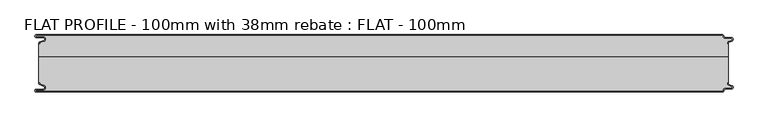
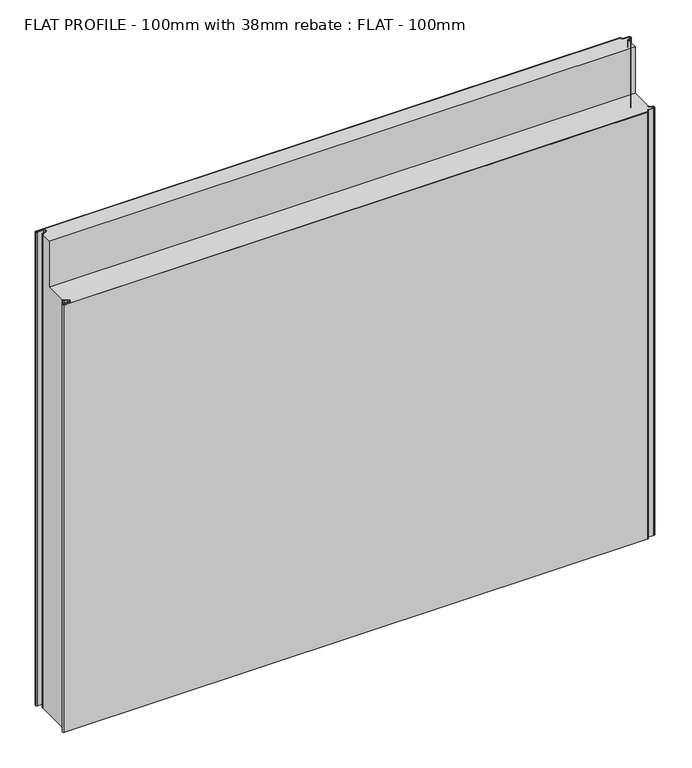
"""IFC4 building model written with IfcOpenShell, lengths in millimetres: proxy geometry, FLAT PROFILE - 100mm with 38mm rebate : FLAT - 100mm."""

from ifc_helpers import new_model, si_unit, point, frame, frame_2d, origin, origin_with_axes, place, context, project, spatial, polyline, circle_curve, trimmed, segment, composite_curve, outline, extrude, source, transform, mapped, element, save
from ifc_brep_helpers import plane_surface, cylinder_surface, revolved_surface, advanced_brep


def flat_profile_100mm_with_38mm_rebate_flat_100mm_aecea08b(model_context):
    return source(origin(), model_context, "Body", "SolidModel", [
        extrude(outline(composite_curve([segment(trimmed(circle_curve(frame_2d((-591.0050311, 35.1831944)), 1.0022625), [point((-591.3794419, 36.1128969))], [point((-591.9881924, 35.3779357))], True, "CARTESIAN"), True, "CONTINUOUS"), segment(polyline([(-591.9881924, 35.3779357), (-591.9881924, 34.2522214), (-592.9881924, 34.2522214), (-592.9881924, 35.4591051)]), True, "CONTINUOUS"), segment(trimmed(circle_curve(frame_2d((-591.0050311, 35.1831944)), 2.0022625), [point((-592.9881924, 35.4591051))], [point((-591.7530074, 37.0405007))], False, "CARTESIAN"), True, "CONTINUOUS"), segment(polyline([(-591.7530074, 37.0405007), (-589.7483949, 37.8478003), (-584.2598383, 39.8454715)]), True, "CONTINUOUS"), segment(trimmed(circle_curve(frame_2d((-585.2882153, 42.3376495)), 2.6960175), [point((-584.2598383, 39.8454715))], [point((-584.9801705, 45.0160107))], True, "CARTESIAN"), True, "CONTINUOUS"), segment(polyline([(-584.9801705, 45.0160107), (-597.3387672, 45.0160107)]), True, "CONTINUOUS"), segment(trimmed(circle_curve(frame_2d((-597.4921978, 47.511298)), 2.5), [point((-597.3387672, 45.0160107))], [point((-597.2548091, 50.0000019))], False, "CARTESIAN"), True, "CONTINUOUS"), segment(polyline([(-597.2548091, 50.0000019), (596.9016875, 50.0000019)]), True, "CONTINUOUS"), segment(trimmed(circle_curve(frame_2d((596.9047345, 47.4926459)), 2.5073578), [point((596.9016875, 50.0000019))], [point((599.4117582, 47.4517176))], False, "CARTESIAN"), True, "CONTINUOUS"), segment(trimmed(circle_curve(frame_2d((601.9112919, 47.5000019)), 2.5), [point((599.4117582, 47.4517176))], [point((601.9112919, 45.0000019))], True, "CARTESIAN"), True, "CONTINUOUS"), segment(polyline([(601.9112919, 45.0000019), (612.3116271, 45.0000019)]), True, "CONTINUOUS"), segment(trimmed(circle_curve(frame_2d((612.3116271, 41.9000019)), 3.1), [point((612.3116271, 45.0000019))], [point((613.3890842, 38.9932707))], False, "CARTESIAN"), True, "CONTINUOUS"), segment(polyline([(613.3890842, 38.9932707), (611.1427659, 38.1731578), (608.2411829, 37.0549269)]), True, "CONTINUOUS"), segment(trimmed(circle_curve(frame_2d((609.0514567, 35.1592666)), 2.0615701), [point((608.2411829, 37.0549269))], [point((607.0118076, 35.4591051))], True, "CARTESIAN"), True, "CONTINUOUS"), segment(polyline([(607.0118076, 35.4591051), (607.0118076, 34.2522232), (606.0107004, 34.2522232), (606.0682599, 35.475074)]), True, "CONTINUOUS"), segment(trimmed(circle_curve(frame_2d((608.9399875, 35.2468953)), 2.8807786), [point((606.0682599, 35.475074))], [point((607.8546835, 37.9154156))], False, "CARTESIAN"), True, "CONTINUOUS"), segment(polyline([(607.8546835, 37.9154156), (610.7828028, 39.1063001), (613.0435993, 39.9316988)]), True, "CONTINUOUS"), segment(trimmed(circle_curve(frame_2d((612.3116271, 41.9000019)), 2.1), [point((613.0435993, 39.9316988))], [point((612.3116271, 44.0000019))], True, "CARTESIAN"), True, "CONTINUOUS"), segment(polyline([(612.3116271, 44.0000019), (601.9112919, 44.0000019)]), True, "CONTINUOUS"), segment(trimmed(circle_curve(frame_2d((601.9112919, 47.5000019)), 3.5), [point((601.9112919, 44.0000019))], [point((598.4115951, 47.4539337))], False, "CARTESIAN"), True, "CONTINUOUS"), segment(trimmed(circle_curve(frame_2d((596.9047345, 47.4926459)), 1.5073578), [point((598.4115951, 47.4539337))], [point((596.902372, 49.0000019))], True, "CARTESIAN"), True, "CONTINUOUS"), segment(polyline([(596.902372, 49.0000019), (-597.3084562, 49.0000019)]), True, "CONTINUOUS"), segment(trimmed(circle_curve(frame_2d((-597.4921978, 47.511298)), 1.5), [point((-597.3084562, 49.0000019))], [point((-597.3733883, 46.0160107))], True, "CARTESIAN"), True, "CONTINUOUS"), segment(polyline([(-597.3733883, 46.0160107), (-584.9273771, 46.0160107)]), True, "CONTINUOUS"), segment(trimmed(circle_curve(frame_2d((-585.2882153, 42.3376495)), 3.6960175), [point((-584.9273771, 46.0160107))], [point((-583.8995097, 38.9124426))], False, "CARTESIAN"), True, "CONTINUOUS"), segment(polyline([(-583.8995097, 38.9124426), (-589.3904999, 36.9138856), (-591.3794419, 36.1128969)]), True, "CONTINUOUS")], self_intersect=False)), origin_with_axes(), (0.0, 0.0, 1.0), 1024.9887139),
        extrude(outline(composite_curve([segment(polyline([(-591.3794419, -36.1128932), (-589.3904999, -36.9138819), (-583.8995097, -38.9124389)]), True, "CONTINUOUS"), segment(trimmed(circle_curve(frame_2d((-585.2882153, -42.3376458)), 3.6960175), [point((-583.8995097, -38.9124389))], [point((-584.9273771, -46.016007))], False, "CARTESIAN"), True, "CONTINUOUS"), segment(polyline([(-584.9273771, -46.016007), (-597.3733883, -46.016007)]), True, "CONTINUOUS"), segment(trimmed(circle_curve(frame_2d((-597.4921978, -47.5112943)), 1.5), [point((-597.3733883, -46.016007))], [point((-597.3084562, -48.9999981))], True, "CARTESIAN"), True, "CONTINUOUS"), segment(polyline([(-597.3084562, -48.9999981), (596.902372, -48.9999981)]), True, "CONTINUOUS"), segment(trimmed(circle_curve(frame_2d((596.9047345, -47.4926422)), 1.5073578), [point((596.902372, -48.9999981))], [point((598.4115951, -47.45393))], True, "CARTESIAN"), True, "CONTINUOUS"), segment(trimmed(circle_curve(frame_2d((601.9112919, -47.4999981)), 3.5), [point((598.4115951, -47.45393))], [point((601.9112919, -43.9999981))], False, "CARTESIAN"), True, "CONTINUOUS"), segment(polyline([(601.9112919, -43.9999981), (612.3116271, -43.9999981)]), True, "CONTINUOUS"), segment(trimmed(circle_curve(frame_2d((612.3116271, -41.8999981)), 2.1), [point((612.3116271, -43.9999981))], [point((613.0435993, -39.9316951))], True, "CARTESIAN"), True, "CONTINUOUS"), segment(polyline([(613.0435993, -39.9316951), (610.7828028, -39.1062964), (607.8546835, -37.9154119)]), True, "CONTINUOUS"), segment(trimmed(circle_curve(frame_2d((608.9399875, -35.2468916)), 2.8807786), [point((607.8546835, -37.9154119))], [point((606.0682599, -35.4750703))], False, "CARTESIAN"), True, "CONTINUOUS"), segment(polyline([(606.0682599, -35.4750703), (606.0107004, -34.2522195), (607.0118076, -34.2522195), (607.0118076, -35.4591014)]), True, "CONTINUOUS"), segment(trimmed(circle_curve(frame_2d((609.0514567, -35.1592629)), 2.0615701), [point((607.0118076, -35.4591014))], [point((608.2411829, -37.0549231))], True, "CARTESIAN"), True, "CONTINUOUS"), segment(polyline([(608.2411829, -37.0549231), (611.1427659, -38.1731541), (613.3890842, -38.993267)]), True, "CONTINUOUS"), segment(trimmed(circle_curve(frame_2d((612.3116271, -41.8999981)), 3.1), [point((613.3890842, -38.993267))], [point((612.3116271, -44.9999981))], False, "CARTESIAN"), True, "CONTINUOUS"), segment(polyline([(612.3116271, -44.9999981), (601.9112919, -44.9999981)]), True, "CONTINUOUS"), segment(trimmed(circle_curve(frame_2d((601.9112919, -47.4999981)), 2.5), [point((601.9112919, -44.9999981))], [point((599.4117582, -47.4517139))], True, "CARTESIAN"), True, "CONTINUOUS"), segment(trimmed(circle_curve(frame_2d((596.9047345, -47.4926422)), 2.5073578), [point((599.4117582, -47.4517139))], [point((596.9016875, -49.9999981))], False, "CARTESIAN"), True, "CONTINUOUS"), segment(polyline([(596.9016875, -49.9999981), (-597.2548091, -49.9999981)]), True, "CONTINUOUS"), segment(trimmed(circle_curve(frame_2d((-597.4921978, -47.5112943)), 2.5), [point((-597.2548091, -49.9999981))], [point((-597.3387672, -45.016007))], False, "CARTESIAN"), True, "CONTINUOUS"), segment(polyline([(-597.3387672, -45.016007), (-584.9801705, -45.016007)]), True, "CONTINUOUS"), segment(trimmed(circle_curve(frame_2d((-585.2882153, -42.3376458)), 2.6960175), [point((-584.9801705, -45.016007))], [point((-584.2598383, -39.8454678))], True, "CARTESIAN"), True, "CONTINUOUS"), segment(polyline([(-584.2598383, -39.8454678), (-589.7483949, -37.8477966), (-591.7530074, -37.040497)]), True, "CONTINUOUS"), segment(trimmed(circle_curve(frame_2d((-591.0050311, -35.1831907)), 2.0022625), [point((-591.7530074, -37.040497))], [point((-592.9881924, -35.4591014))], False, "CARTESIAN"), True, "CONTINUOUS"), segment(polyline([(-592.9881924, -35.4591014), (-592.9881924, -34.2522177), (-591.9881924, -34.2522177), (-591.9881924, -35.3779319)]), True, "CONTINUOUS"), segment(trimmed(circle_curve(frame_2d((-591.0050311, -35.1831907)), 1.0022625), [point((-591.9881924, -35.3779319))], [point((-591.3794419, -36.1128932))], True, "CARTESIAN"), True, "CONTINUOUS")], self_intersect=False)), origin_with_axes(), (0.0, 0.0, 1.0), 924.9887139),
        advanced_brep(
        [(-591.3794419, 36.1128969, 1024.9887139), (-591.9881924, 35.3779357, 1024.9887139), (-591.9881924, 34.2522214, 1024.9887139), (-592.9881924, 34.2522214, 1024.9887139), (-592.9881924, 11.9887057, 1024.9887139), (607.0118076, 11.9887057, 1024.9887139), (607.0118076, 34.2522232, 1024.9887139), (606.0107004, 34.2522232, 1024.9887139), (606.0682599, 35.475074, 1024.9887139), (607.8546835, 37.9154156, 1024.9887139), (610.7828028, 39.1063001, 1024.9887139), (613.0435993, 39.9316988, 1024.9887139), (612.3116271, 44.0000019, 1024.9887139), (601.9112919, 44.0000019, 1024.9887139), (598.4115951, 47.4539337, 1024.9887139), (596.902372, 49.0000019, 1024.9887139), (-597.3084562, 49.0000019, 1024.9887139), (-597.3733883, 46.0160107, 1024.9887139), (-584.9273771, 46.0160107, 1024.9887139), (-583.8995097, 38.9124426, 1024.9887139), (-589.3904999, 36.9138856, 1024.9887139), (-591.3794419, 36.1128969, 0.0), (-589.3904999, 36.9138856, 0.0), (-583.8995097, 38.9124426, 0.0), (-584.9273771, 46.0160107, 0.0), (-597.3733883, 46.0160107, 0.0), (-597.3084562, 49.0000019, 0.0), (596.902372, 49.0000019, 0.0), (598.4115951, 47.4539337, 0.0), (601.9112919, 44.0000019, 0.0), (612.3116271, 44.0000019, 0.0), (613.0435993, 39.9316988, 0.0), (610.7828028, 39.1063001, 0.0), (607.8546835, 37.9154156, 0.0), (606.0682599, 35.475074, 0.0), (606.0107004, 34.2522232, 0.0), (607.0118076, 34.2522232, 0.0), (607.0118076, -34.2522195, 0.0), (606.0107004, -34.2522195, 0.0), (606.0682599, -35.4750703, 0.0), (607.8546835, -37.9154119, 0.0), (610.7828028, -39.1062964, 0.0), (613.0435993, -39.9316951, 0.0), (612.3116271, -43.9999981, 0.0), (601.9112919, -43.9999981, 0.0), (598.4115951, -47.45393, 0.0), (596.902372, -48.9999981, 0.0), (-597.3084562, -48.9999981, 0.0), (-597.3733883, -46.016007, 0.0), (-584.9273771, -46.016007, 0.0), (-583.8995097, -38.9124389, 0.0), (-589.3904999, -36.9138819, 0.0), (-591.3794419, -36.1128932, 0.0), (-591.9881924, -35.3779319, 0.0), (-591.9881924, -34.2522214, 0.0), (-592.9881924, -34.2522214, 0.0), (-592.9881924, 34.2522214, 0.0), (-591.9881924, 34.2522214, 0.0), (-591.9881924, 35.3779357, 0.0), (-592.9881924, -34.2522214, 924.9887139), (-592.9881924, -27.0147367, 924.9887139), (-592.9881924, 11.9887057, 924.9887139), (-591.9881924, -34.2522214, 924.9887139), (-591.9881924, -35.3779319, 924.9887139), (-591.3794419, -36.1128932, 924.9887139), (-589.3904999, -36.9138819, 924.9887139), (-583.8995097, -38.9124389, 924.9887139), (-584.9273771, -46.016007, 924.9887139), (-597.3733883, -46.016007, 924.9887139), (-597.3084562, -48.9999981, 924.9887139), (596.902372, -48.9999981, 924.9887139), (598.4115951, -47.45393, 924.9887139), (601.9112919, -43.9999981, 924.9887139), (612.3116271, -43.9999981, 924.9887139), (613.0435993, -39.9316951, 924.9887139), (610.7828028, -39.1062964, 924.9887139), (607.8546835, -37.9154119, 924.9887139), (606.0682599, -35.4750703, 924.9887139), (606.0107004, -34.2522195, 924.9887139), (607.0118076, -34.2522195, 924.9887139), (607.0118076, 11.9887057, 924.9887139), (607.0118076, -27.0147367, 924.9887139)],
        [
            (0, 1, circle_curve(frame((-591.0050311, 35.1831944, 1024.9887139), z_axis=(0.0, 0.0, 1.0), x_axis=(-0.9809418279781308, 0.19430164724706622, 0.0)), 1.0022625)),
            (1, 2),
            (2, 3),
            (3, 4),
            (4, 5),
            (5, 6),
            (6, 7),
            (7, 8),
            (8, 9, circle_curve(frame((608.9399875, 35.2468953, 1024.9887139), z_axis=(0.0, 0.0, -1.0), x_axis=(-0.3767398216573044, 0.9263191171392408, 0.0)), 2.8807786)),
            (9, 10),
            (10, 11),
            (11, 12, circle_curve(frame((612.3116271, 41.9000019, 1024.9887139), z_axis=(0.0, 0.0, 1.0), x_axis=(0.0, 1.0, 0.0)), 2.1)),
            (12, 13),
            (13, 14, circle_curve(frame((601.9112919, 47.5000019, 1024.9887139), z_axis=(0.0, 0.0, -1.0), x_axis=(-0.9999133729245651, -0.01316231919608663, 0.0)), 3.5)),
            (14, 15, circle_curve(frame((596.9047345, 47.4926459, 1024.9887139), z_axis=(0.0, 0.0, 1.0), x_axis=(-0.001567336480790923, 0.9999987717274237, 0.0)), 1.5073578)),
            (15, 16),
            (16, 17, circle_curve(frame((-597.4921978, 47.511298, 1024.9887139), z_axis=(0.0, 0.0, 1.0), x_axis=(0.07920631384694989, -0.9968582446099238, 0.0)), 1.5)),
            (17, 18),
            (18, 19, circle_curve(frame((-585.2882153, 42.3376495, 1024.9887139), z_axis=(0.0, 0.0, -1.0), x_axis=(0.3757302444367203, -0.9267290776788665, 0.0)), 3.6960175)),
            (19, 20),
            (20, 0),
            (21, 22),
            (22, 23),
            (23, 24, circle_curve(frame((-585.2882153, 42.3376495, 0.0), z_axis=(0.0, 0.0, 1.0), x_axis=(0.3757302444367203, -0.9267290776788665, 0.0)), 3.6960175)),
            (24, 25),
            (25, 26, circle_curve(frame((-597.4921978, 47.511298, 0.0), z_axis=(0.0, 0.0, -1.0), x_axis=(0.07920631384694989, -0.9968582446099238, 0.0)), 1.5)),
            (26, 27),
            (27, 28, circle_curve(frame((596.9047345, 47.4926459, 0.0), z_axis=(0.0, 0.0, -1.0), x_axis=(-0.001567336480790923, 0.9999987717274237, 0.0)), 1.5073578)),
            (28, 29, circle_curve(frame((601.9112919, 47.5000019, 0.0), z_axis=(0.0, 0.0, 1.0), x_axis=(-0.9999133729245651, -0.01316231919608663, 0.0)), 3.5)),
            (29, 30),
            (30, 31, circle_curve(frame((612.3116271, 41.9000019, 0.0), z_axis=(0.0, 0.0, -1.0), x_axis=(0.0, 1.0, 0.0)), 2.1)),
            (31, 32),
            (32, 33),
            (33, 34, circle_curve(frame((608.9399875, 35.2468953, 0.0), z_axis=(0.0, 0.0, 1.0), x_axis=(-0.3767398216573044, 0.9263191171392408, 0.0)), 2.8807786)),
            (34, 35),
            (35, 36),
            (36, 37),
            (37, 38),
            (38, 39),
            (39, 40, circle_curve(frame((608.9399875, -35.2468916, 0.0), z_axis=(0.0, 0.0, 1.0), x_axis=(-0.37673982165718617, -0.9263191171392889, 0.0)), 2.8807786)),
            (40, 41),
            (41, 42),
            (42, 43, circle_curve(frame((612.3116271, -41.8999981, 0.0), z_axis=(0.0, 0.0, -1.0), x_axis=(0.0, -1.0, 0.0)), 2.1)),
            (43, 44),
            (44, 45, circle_curve(frame((601.9112919, -47.4999981, 0.0), z_axis=(0.0, 0.0, 1.0), x_axis=(-0.9999133729245651, 0.013162319196090405, 0.0)), 3.5)),
            (45, 46, circle_curve(frame((596.9047345, -47.4926422, 0.0), z_axis=(0.0, 0.0, -1.0), x_axis=(-0.0015673364807945796, -0.9999987717274237, 0.0)), 1.5073578)),
            (46, 47),
            (47, 48, circle_curve(frame((-597.4921978, -47.5112943, 0.0), z_axis=(0.0, 0.0, -1.0), x_axis=(0.07920631384695365, 0.9968582446099234, 0.0)), 1.5)),
            (48, 49),
            (49, 50, circle_curve(frame((-585.2882153, -42.3376458, 0.0), z_axis=(0.0, 0.0, 1.0), x_axis=(0.3757302444367238, 0.926729077678865, 0.0)), 3.6960175)),
            (50, 51),
            (51, 52),
            (52, 53, circle_curve(frame((-591.0050311, -35.1831907, 0.0), z_axis=(0.0, 0.0, -1.0), x_axis=(-0.9809418279781315, -0.1943016472470625, 0.0)), 1.0022625)),
            (53, 54),
            (54, 55),
            (55, 56),
            (56, 57),
            (57, 58),
            (58, 21, circle_curve(frame((-591.0050311, 35.1831944, 0.0), z_axis=(0.0, 0.0, -1.0), x_axis=(-0.9809418279781308, 0.19430164724706622, 0.0)), 1.0022625)),
            (0, 21),
            (58, 1),
            (57, 2),
            (56, 3),
            (55, 59),
            (59, 60),
            (60, 61),
            (61, 4),
            (54, 62),
            (62, 59),
            (53, 63),
            (63, 62),
            (52, 64),
            (64, 63, circle_curve(frame((-591.0050311, -35.1831907, 924.9887139), z_axis=(0.0, 0.0, -1.0), x_axis=(-0.9809418279781315, -0.1943016472470625, 0.0)), 1.0022625)),
            (51, 65),
            (65, 64),
            (50, 66),
            (66, 65),
            (49, 67),
            (67, 66, circle_curve(frame((-585.2882153, -42.3376458, 924.9887139), z_axis=(0.0, 0.0, 1.0), x_axis=(0.3757302444367238, 0.926729077678865, 0.0)), 3.6960175)),
            (48, 68),
            (68, 67),
            (47, 69),
            (69, 68, circle_curve(frame((-597.4921978, -47.5112943, 924.9887139), z_axis=(0.0, 0.0, -1.0), x_axis=(0.07920631384695365, 0.9968582446099234, 0.0)), 1.5)),
            (46, 70),
            (70, 69),
            (45, 71),
            (71, 70, circle_curve(frame((596.9047345, -47.4926422, 924.9887139), z_axis=(0.0, 0.0, -1.0), x_axis=(-0.0015673364807945796, -0.9999987717274237, 0.0)), 1.5073578)),
            (44, 72),
            (72, 71, circle_curve(frame((601.9112919, -47.4999981, 924.9887139), z_axis=(0.0, 0.0, 1.0), x_axis=(-0.9999133729245651, 0.013162319196090405, 0.0)), 3.5)),
            (43, 73),
            (73, 72),
            (42, 74),
            (74, 73, circle_curve(frame((612.3116271, -41.8999981, 924.9887139), z_axis=(0.0, 0.0, -1.0), x_axis=(0.0, -1.0, 0.0)), 2.1)),
            (41, 75),
            (75, 74),
            (40, 76),
            (76, 75),
            (39, 77),
            (77, 76, circle_curve(frame((608.9399875, -35.2468916, 924.9887139), z_axis=(0.0, 0.0, 1.0), x_axis=(-0.37673982165718617, -0.9263191171392889, 0.0)), 2.8807786)),
            (38, 78),
            (78, 77),
            (37, 79),
            (79, 78),
            (36, 6),
            (5, 80),
            (80, 81),
            (81, 79),
            (35, 7),
            (34, 8),
            (33, 9),
            (32, 10),
            (31, 11),
            (30, 12),
            (29, 13),
            (28, 14),
            (27, 15),
            (26, 16),
            (25, 17),
            (24, 18),
            (23, 19),
            (22, 20),
            (61, 80),
        ],
        [
            plane_surface(frame((0.0, 0.0, 1024.9887139), z_axis=(0.0, 0.0, 1.0), x_axis=(1.0, 0.0, 0.0))),
            plane_surface(frame((0.0, 0.0, 0.0), z_axis=(0.0, 0.0, -1.0), x_axis=(1.0, 0.0, 0.0))),
            cylinder_surface(frame((-591.0050311, 35.1831944, 1024.9887139), z_axis=(0.0, 0.0, 1.0), x_axis=(-0.9809418279781308, 0.19430164724706622, 0.0)), 1.0022625),
            plane_surface(frame((-591.9881924, 35.3779357, 1024.9887139), z_axis=(-1.0, 0.0, 0.0), x_axis=(0.0, 0.0, -1.0))),
            plane_surface(frame((-591.9881924, 34.2522214, 1024.9887139), z_axis=(0.0, 1.0, 0.0), x_axis=(0.0, 0.0, -1.0))),
            plane_surface(frame((-592.9881924, 34.2522214, 1024.9887139), z_axis=(-1.0, 0.0, 0.0), x_axis=(0.0, 0.0, -1.0))),
            plane_surface(frame((-592.9881924, -34.2522214, 1024.9887139), z_axis=(0.0, -1.0, 0.0), x_axis=(0.0, 0.0, -1.0))),
            plane_surface(frame((-591.9881924, -34.2522214, 1024.9887139), z_axis=(-1.0, 0.0, 0.0), x_axis=(0.0, 0.0, -1.0))),
            cylinder_surface(frame((-591.0050311, -35.1831907, 1024.9887139), z_axis=(0.0, 0.0, 1.0), x_axis=(-0.9809418279781315, -0.1943016472470625, 0.0)), 1.0022625),
            plane_surface(frame((-591.3794419, -36.1128932, 1024.9887139), z_axis=(-0.3735655344162246, -0.927603790147669, 0.0), x_axis=(0.0, 0.0, -1.0))),
            plane_surface(frame((-589.3904999, -36.9138819, 1024.9887139), z_axis=(-0.34202014332566044, -0.9396926207859114, 0.0), x_axis=(0.0, 0.0, -1.0))),
            revolved_surface(polyline([(-583.8995097412826, -38.91243891114005, 0.0), (-583.8995097412826, -38.91243891114005, 924.9887139)]), (-585.2882153, -42.3376458, 1024.9887139), (0.0, 0.0, -1.0)),
            plane_surface(frame((-584.9273771, -46.016007, 1024.9887139), z_axis=(0.0, 1.0, 0.0), x_axis=(0.0, 0.0, -1.0))),
            cylinder_surface(frame((-597.4921978, -47.5112943, 1024.9887139), z_axis=(0.0, 0.0, 1.0), x_axis=(0.07920631384695365, 0.9968582446099234, 0.0)), 1.5),
            plane_surface(frame((-597.3084562, -48.9999981, 1024.9887139), z_axis=(0.0, -1.0, 0.0), x_axis=(0.0, 0.0, -1.0))),
            cylinder_surface(frame((596.9047345, -47.4926422, 1024.9887139), z_axis=(0.0, 0.0, 1.0), x_axis=(-0.0015673364807945796, -0.9999987717274237, 0.0)), 1.5073578),
            revolved_surface(polyline([(598.411595094764, -47.45392998281368, 0.0), (598.411595094764, -47.45392998281368, 924.9887139)]), (601.9112919, -47.4999981, 1024.9887139), (0.0, 0.0, -1.0)),
            plane_surface(frame((601.9112919, -43.9999981, 1024.9887139), z_axis=(0.0, -1.0, 0.0), x_axis=(0.0, 0.0, -1.0))),
            cylinder_surface(frame((612.3116271, -41.8999981, 1024.9887139), z_axis=(0.0, 0.0, 1.0), x_axis=(0.0, -1.0, 0.0)), 2.1),
            plane_surface(frame((613.0435993, -39.9316951, 1024.9887139), z_axis=(0.3429504420524923, 0.939353498048525, 0.0), x_axis=(0.0, 0.0, -1.0))),
            plane_surface(frame((610.7828028, -39.1062964, 1024.9887139), z_axis=(0.3767398216573625, 0.9263191171392172, 0.0), x_axis=(0.0, 0.0, -1.0))),
            revolved_surface(polyline([(607.8546834840022, -37.915411889425755, -4.547473508864641e-13), (607.8546834840022, -37.915411889425755, 924.9887139)]), (608.9399875, -35.2468916, 1024.9887139), (0.0, 0.0, -1.0000000000000002)),
            plane_surface(frame((606.0682599, -35.4750703, 1024.9887139), z_axis=(0.9988940489238197, 0.047017858570736114, 0.0), x_axis=(0.0, 0.0, -1.0))),
            plane_surface(frame((606.0107004, -34.2522195, 1024.9887139), z_axis=(0.0, -1.0, 0.0), x_axis=(0.0, 0.0, -1.0))),
            plane_surface(frame((607.0118076, -34.2522195, 1024.9887139), z_axis=(1.0, 0.0, 0.0), x_axis=(0.0, 0.0, -1.0))),
            plane_surface(frame((607.0118076, 34.2522232, 1024.9887139), z_axis=(0.0, 1.0, 0.0), x_axis=(0.0, 0.0, -1.0))),
            plane_surface(frame((606.0107004, 34.2522232, 1024.9887139), z_axis=(0.9988940489238193, -0.0470178585707465, 0.0), x_axis=(0.0, 0.0, -1.0))),
            revolved_surface(polyline([(607.8546834840018, 37.91541558942561, 0.0), (607.8546834840018, 37.91541558942561, 1024.9887139)]), (608.9399875, 35.2468953, 1024.9887139), (0.0, 0.0, -1.0)),
            plane_surface(frame((607.8546835, 37.9154156, 1024.9887139), z_axis=(0.3767398216573234, -0.9263191171392331, 0.0), x_axis=(0.0, 0.0, -1.0))),
            plane_surface(frame((610.7828028, 39.1063001, 1024.9887139), z_axis=(0.3429504420524923, -0.939353498048525, 0.0), x_axis=(0.0, 0.0, -1.0))),
            cylinder_surface(frame((612.3116271, 41.9000019, 1024.9887139), z_axis=(0.0, 0.0, 1.0), x_axis=(0.0, 1.0, 0.0)), 2.1),
            plane_surface(frame((612.3116271, 44.0000019, 1024.9887139), z_axis=(0.0, 1.0, 0.0), x_axis=(0.0, 0.0, -1.0))),
            revolved_surface(polyline([(598.411595094764, 47.4539337828137, 0.0), (598.411595094764, 47.4539337828137, 1024.9887139)]), (601.9112919, 47.5000019, 1024.9887139), (0.0, 0.0, -1.0)),
            cylinder_surface(frame((596.9047345, 47.4926459, 1024.9887139), z_axis=(0.0, 0.0, 1.0), x_axis=(-0.001567336480790923, 0.9999987717274237, 0.0)), 1.5073578),
            plane_surface(frame((596.902372, 49.0000019, 1024.9887139), z_axis=(0.0, 1.0, 0.0), x_axis=(0.0, 0.0, -1.0))),
            cylinder_surface(frame((-597.4921978, 47.511298, 1024.9887139), z_axis=(0.0, 0.0, 1.0000000000000002), x_axis=(0.07920631384694989, -0.9968582446099238, 0.0)), 1.5),
            plane_surface(frame((-597.3733883, 46.0160107, 1024.9887139), z_axis=(0.0, -1.0, 0.0), x_axis=(0.0, 0.0, -1.0))),
            revolved_surface(polyline([(-583.8995097412826, 38.91244261114005, -4.547473508864641e-13), (-583.8995097412826, 38.91244261114005, 1024.9887139)]), (-585.2882153, 42.3376495, 1024.9887139), (0.0, 0.0, -1.0000000000000002)),
            plane_surface(frame((-583.8995097, 38.9124426, 1024.9887139), z_axis=(-0.3420201433256566, 0.9396926207859129, 0.0), x_axis=(0.0, 0.0, -1.0))),
            plane_surface(frame((-589.3904999, 36.9138856, 1024.9887139), z_axis=(-0.37356553441622287, 0.9276037901476696, 0.0), x_axis=(0.0, 0.0, -1.0))),
            plane_surface(frame((-602.9881924, 11.9887057, 1024.9887139), z_axis=(0.0, -1.0, 0.0), x_axis=(1.0, 0.0, 0.0))),
            plane_surface(frame((-602.9881924, 11.9887057, 924.9887139), z_axis=(0.0, 0.0, 1.0), x_axis=(1.0, 0.0, 0.0))),
        ],
        [
            (0, [[1, 2, 3, 4, 5, 6, 7, 8, 9, 10, 11, 12, 13, 14, 15, 16, 17, 18, 19, 20, 21]]),
            (1, [[22, 23, 24, 25, 26, 27, 28, 29, 30, 31, 32, 33, 34, 35, 36, 37, 38, 39, 40, 41, 42, 43, 44, 45, 46, 47, 48, 49, 50, 51, 52, 53, 54, 55, 56, 57, 58, 59]]),
            (2, [[-1, 60, -59, 61]]),
            (3, [[-2, -61, -58, 62]]),
            (4, [[-3, -62, -57, 63]]),
            (5, [[-56, 64, 65, 66, 67, -4, -63]]),
            (6, [[-55, 68, 69, -64]]),
            (7, [[-54, 70, 71, -68]]),
            (8, [[-53, 72, 73, -70]]),
            (9, [[-52, 74, 75, -72]]),
            (10, [[-51, 76, 77, -74]]),
            (11, [[-50, 78, 79, -76]]),
            (12, [[-49, 80, 81, -78]]),
            (13, [[-48, 82, 83, -80]]),
            (14, [[-47, 84, 85, -82]]),
            (15, [[-46, 86, 87, -84]]),
            (16, [[-45, 88, 89, -86]]),
            (17, [[-44, 90, 91, -88]]),
            (18, [[-43, 92, 93, -90]]),
            (19, [[-42, 94, 95, -92]]),
            (20, [[-41, 96, 97, -94]]),
            (21, [[-40, 98, 99, -96]]),
            (22, [[-39, 100, 101, -98]]),
            (23, [[-38, 102, 103, -100]]),
            (24, [[-37, 104, -6, 105, 106, 107, -102]]),
            (25, [[-7, -104, -36, 108]]),
            (26, [[-8, -108, -35, 109]]),
            (27, [[-9, -109, -34, 110]]),
            (28, [[-10, -110, -33, 111]]),
            (29, [[-11, -111, -32, 112]]),
            (30, [[-12, -112, -31, 113]]),
            (31, [[-13, -113, -30, 114]]),
            (32, [[-14, -114, -29, 115]]),
            (33, [[-15, -115, -28, 116]]),
            (34, [[-16, -116, -27, 117]]),
            (35, [[-17, -117, -26, 118]]),
            (36, [[-18, -118, -25, 119]]),
            (37, [[-19, -119, -24, 120]]),
            (38, [[-20, -120, -23, 121]]),
            (39, [[-21, -121, -22, -60]]),
            (40, [[122, -105, -5, -67]]),
            (41, [[-122, -66, -65, -69, -71, -73, -75, -77, -79, -81, -83, -85, -87, -89, -91, -93, -95, -97, -99, -101, -103, -107, -106]]),
        ],
    ),
    ])


if __name__ == "__main__":
    model = new_model("IFC4")
    model_context = context("Model", 3, world=origin())
    ifc_project = project(units=[si_unit("LENGTHUNIT", "METRE", prefix="MILLI")], contexts=[model_context])
    site = spatial("IfcSite", under=ifc_project)
    building = spatial("IfcBuilding", under=site)
    placement = place(None, origin())
    flat_profile_100mm_with_38mm_rebate_flat_100mm_shape = flat_profile_100mm_with_38mm_rebate_flat_100mm_aecea08b(model_context)
    element("IfcBuildingElementProxy", 1, Name="FLAT PROFILE - 100mm with 38mm rebate : FLAT - 100mm", ObjectType="FLAT PROFILE - 100mm with 38mm rebate : FLAT - 100mm", at=placement, inside=building, context=model_context, shape_type="MappedRepresentation", body=[
        mapped(flat_profile_100mm_with_38mm_rebate_flat_100mm_shape, transform((0.0, 0.0, 0.0), x_axis=(1.0, 0.0, 0.0), y_axis=(0.0, 1.0, 0.0), z_axis=(0.0, 0.0, 1.0))),
    ])
    save(model, "model.ifc")
